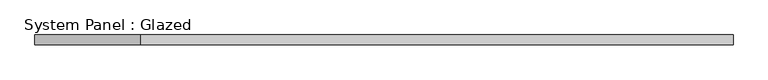
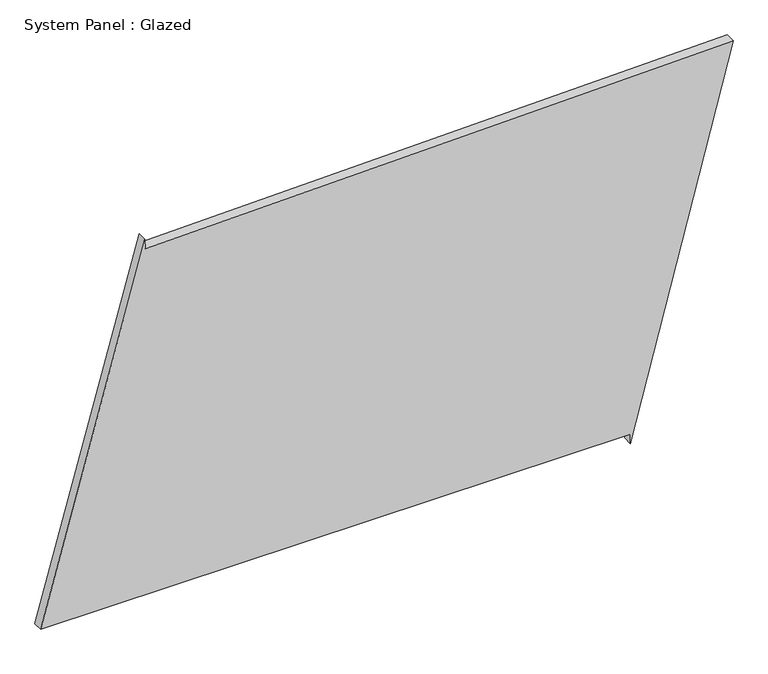
"""IFC4 building model written with IfcOpenShell, lengths in millimetres: plate geometry, System Panel : Glazed."""

from ifc_helpers import new_model, si_unit, frame, origin, place, context, project, spatial, polyline, outline, extrude, source, transform, mapped, element, save


def system_panel_glazed_9391b55f(model_context):
    return source(origin(), model_context, "Body", "SweptSolid", [
        extrude(outline(polyline([(25.0, 614.4312335), (0.0, 614.4312335), (984.4643443, 873.8796749), (948.8931453, -610.0842868), (973.8859661, -610.6833745), (25.0, -873.8796749), (25.0, 614.4312335)])), frame((0.0, -49.5, 0.0), z_axis=(0.0, 1.0, 0.0), x_axis=(0.0, 0.0, 1.0)), (0.0, 0.0, 1.0), 25.0),
    ])


if __name__ == "__main__":
    model = new_model("IFC4")
    model_context = context("Model", 3, world=origin())
    ifc_project = project(units=[si_unit("LENGTHUNIT", "METRE", prefix="MILLI")], contexts=[model_context])
    site = spatial("IfcSite", under=ifc_project)
    building = spatial("IfcBuilding", under=site)
    placement = place(None, origin())
    system_panel_glazed_shape = system_panel_glazed_9391b55f(model_context)
    element("IfcPlate", 1, ObjectType="System Panel : Glazed", at=placement, inside=building, context=model_context, shape_type="MappedRepresentation", body=[
        mapped(system_panel_glazed_shape, transform((0.0, 0.0, 0.0), x_axis=(1.0, 0.0, 0.0), y_axis=(0.0, 1.0, 0.0), z_axis=(0.0, 0.0, 1.0))),
    ])
    save(model, "model.ifc")
